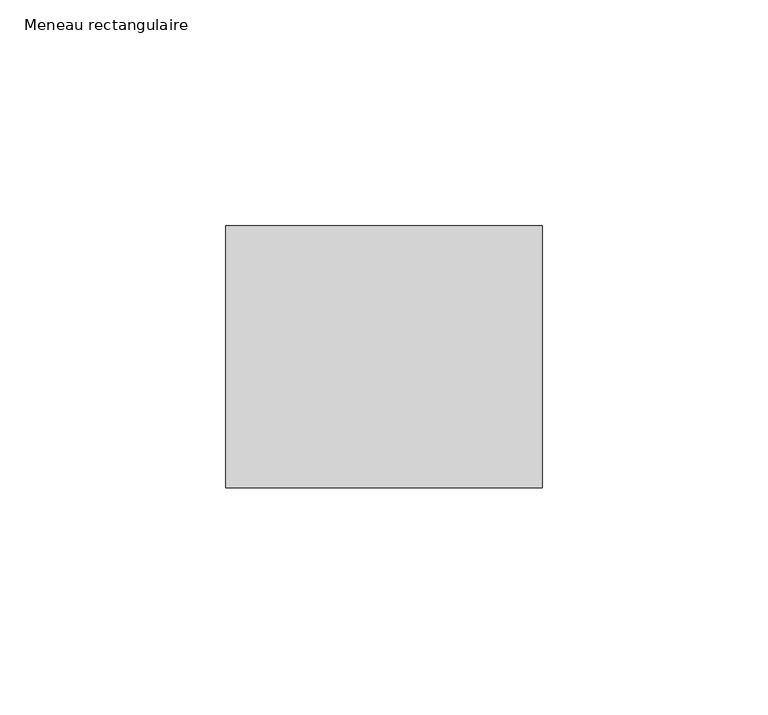
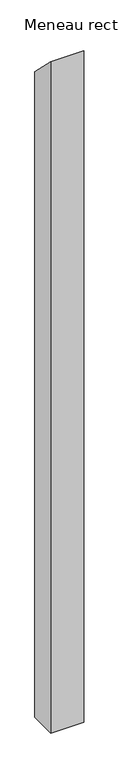
"""IFC4 building model written with IfcOpenShell, lengths in millimetres: member geometry, Meneau rectangulaire."""

import ifcopenshell
import ifcopenshell.guid

model = None  # the IFC model being written
_history = None  # IfcOwnerHistory: only IFC2X3 demands one
_inside = {}  # id of a spatial element -> (the spatial element, [elements in it])
_under = {}  # id of a project, library or spatial element -> (it, [spatial elements below it])
_declared = {}  # id of a project -> (the project, [libraries it declares])
_typed = {}  # id of a type object -> (the type object, [elements of that type])
_made_of = {}  # id of a material, layer set ... -> (it, [elements and type objects made of it])


def new_model(schema):
    """Start an empty IFC model of exactly this schema.

    Asked for "IFC4X3", IfcOpenShell would pick the latest addendum, in which some entities
    have other attributes; the version numbers below select the first issue.
    IFC2X3 requires an IfcOwnerHistory on every rooted entity: one is made here for all.
    """
    global model, _history
    if schema == "IFC4X3":
        model = ifcopenshell.file(schema_version=(4, 3, 0, 0))
    else:
        model = ifcopenshell.file(schema=schema)
    _inside.clear()
    _under.clear()
    _declared.clear()
    _typed.clear()
    _made_of.clear()
    _history = None
    if model.schema == "IFC2X3":
        org = make("IfcOrganization", Name="unknown")
        user = make(
            "IfcPersonAndOrganization",
            ThePerson=make("IfcPerson", FamilyName="unknown"),
            TheOrganization=org,
        )
        app = make(
            "IfcApplication",
            ApplicationDeveloper=org,
            Version="unknown",
            ApplicationFullName="unknown",
            ApplicationIdentifier="unknown",
        )
        _history = make(
            "IfcOwnerHistory",
            OwningUser=user,
            OwningApplication=app,
            ChangeAction="ADDED",
            CreationDate=0,
        )
    return model


def make(cls, **values):
    """One entity of the class cls with the attributes given. An attribute that is None is left unset."""
    return model.create_entity(
        cls, **{name: value for name, value in values.items() if value is not None}
    )


def rooted(cls, **values):
    """An entity with a GlobalId (a new one), such as an element, a storey or a relation."""
    return make(cls, GlobalId=ifcopenshell.guid.new(), OwnerHistory=_history, **values)


def si_unit(unit_type, name, prefix=None):
    """IfcSIUnit, for example si_unit("LENGTHUNIT", "METRE", prefix="MILLI")."""
    return make("IfcSIUnit", UnitType=unit_type, Prefix=prefix, Name=name)


def assignment(units):
    """IfcUnitAssignment: the units of a project."""
    return None if units is None else make("IfcUnitAssignment", Units=units)


def point(xyz):
    """IfcCartesianPoint."""
    return None if xyz is None else make("IfcCartesianPoint", Coordinates=xyz)


def direction(xyz):
    """IfcDirection."""
    return None if xyz is None else make("IfcDirection", DirectionRatios=xyz)


def frame(location, z_axis=None, x_axis=None):
    """IfcAxis2Placement3D, a coordinate frame: its origin and axes. An axis left out is left unset."""
    return make(
        "IfcAxis2Placement3D",
        Location=point(location),
        Axis=direction(z_axis),
        RefDirection=direction(x_axis),
    )


def origin():
    """The frame at (0, 0, 0) with its axes left unset."""
    return frame((0.0, 0.0, 0.0))


def place(relative_to, where):
    """IfcLocalPlacement: puts the frame where relative to a parent placement (None: the world)."""
    return make(
        "IfcLocalPlacement", PlacementRelTo=relative_to, RelativePlacement=where
    )


def context(
    kind, dimensions, precision=None, world=None, true_north=None, identifier=None
):
    """IfcGeometricRepresentationContext, for example the 3D "Model" context."""
    return make(
        "IfcGeometricRepresentationContext",
        ContextIdentifier=identifier,
        ContextType=kind,
        CoordinateSpaceDimension=dimensions,
        Precision=precision,
        WorldCoordinateSystem=world,
        TrueNorth=true_north,
    )


def project(units=None, contexts=None):
    """IfcProject with its units and contexts."""
    return rooted(
        "IfcProject",
        Name="project",
        RepresentationContexts=contexts,
        UnitsInContext=assignment(units),
    )


def spatial(cls, under=None, at=None, **own):
    """A site, building, storey or space (cls), placed at a placement, below another one or the project."""
    s = rooted(cls, ObjectPlacement=at, **own)
    if under is not None:
        _under.setdefault(under.id(), (under, []))[1].append(s)
    return s


def polyline(points):
    """IfcPolyline through the points."""
    return make("IfcPolyline", Points=[point(p) for p in points])


def outline(outer, holes=None, kind="AREA"):
    """IfcArbitraryClosedProfileDef: a profile drawn as a closed curve; with holes, ...WithVoids."""
    if holes is None:
        return make("IfcArbitraryClosedProfileDef", ProfileType=kind, OuterCurve=outer)
    return make(
        "IfcArbitraryProfileDefWithVoids",
        ProfileType=kind,
        OuterCurve=outer,
        InnerCurves=holes,
    )


def extrude(swept, where, along, depth):
    """IfcExtrudedAreaSolid: the profile swept, set in the frame where, extruded along a direction by depth."""
    return make(
        "IfcExtrudedAreaSolid",
        SweptArea=swept,
        Position=where,
        ExtrudedDirection=direction(along),
        Depth=depth,
    )


def shape(context_of_items, identifier, shape_type, items):
    """IfcShapeRepresentation: the items that make up one representation, for example the "Body"."""
    return make(
        "IfcShapeRepresentation",
        ContextOfItems=context_of_items,
        RepresentationIdentifier=identifier,
        RepresentationType=shape_type,
        Items=items,
    )


def source(mapping_origin, context_of_items, identifier, shape_type, items):
    """IfcRepresentationMap: a shape defined once, which mapped items show again and again."""
    return make(
        "IfcRepresentationMap",
        MappingOrigin=mapping_origin,
        MappedRepresentation=shape(context_of_items, identifier, shape_type, items),
    )


def transform(
    local_origin,
    x_axis=None,
    y_axis=None,
    z_axis=None,
    scale=None,
    scale2=None,
    scale3=None,
    uniform=True,
):
    """IfcCartesianTransformationOperator3D, or its non-uniform kind. x_axis, y_axis, z_axis: its Axis1, 2, 3."""
    if uniform:
        return make(
            "IfcCartesianTransformationOperator3D",
            Axis1=direction(x_axis),
            Axis2=direction(y_axis),
            LocalOrigin=point(local_origin),
            Scale=scale,
            Axis3=direction(z_axis),
        )
    return make(
        "IfcCartesianTransformationOperator3DnonUniform",
        Axis1=direction(x_axis),
        Axis2=direction(y_axis),
        LocalOrigin=point(local_origin),
        Scale=scale,
        Axis3=direction(z_axis),
        Scale2=scale2,
        Scale3=scale3,
    )


def mapped(mapping_source, mapping_target):
    """IfcMappedItem: shows the shape of a source again, moved by a transform."""
    return make(
        "IfcMappedItem", MappingSource=mapping_source, MappingTarget=mapping_target
    )


def made_of(thing, what):
    """Note that an element or type object is made of a material, layer set ...; save() writes the relation."""
    if what is not None:
        _made_of.setdefault(what.id(), (what, []))[1].append(thing)
    return thing


def element(
    cls,
    number,
    at=None,
    inside=None,
    cuts=None,
    type_object=None,
    material=None,
    context=None,
    identifier="Body",
    shape_type=None,
    held_by="IfcProductDefinitionShape",
    body=None,
    shapes=None,
    **own,
):
    """One element of the class cls, such as IfcWall. Its Tag is "e" and its number.

    at: its placement. inside: the storey or other place that contains it. cuts: it is an
    opening in that element (IfcRelVoidsElement). A single representation is given by context,
    identifier, shape_type and body (its items); several are given by shapes. held_by: the class
    of the entity that holds the representations. save() writes the other relations.
    """
    e = rooted(cls, Tag="e%d" % number, ObjectPlacement=at, **own)
    if body is not None:
        shapes = [shape(context, identifier, shape_type, body)]
    if shapes is not None:
        e.Representation = make(held_by, Representations=shapes)
    if inside is not None:
        _inside.setdefault(inside.id(), (inside, []))[1].append(e)
    if cuts is not None:
        rooted(
            "IfcRelVoidsElement", RelatingBuildingElement=cuts, RelatedOpeningElement=e
        )
    if type_object is not None:
        _typed.setdefault(type_object.id(), (type_object, []))[1].append(e)
    return made_of(e, material)


def aggregate(whole, parts):
    """IfcRelAggregates: a whole, such as a stair, and the parts it consists of."""
    return rooted("IfcRelAggregates", RelatingObject=whole, RelatedObjects=parts)


def save(model, path):
    """Write the relations noted so far, then the file.

    IfcRelAggregates (storeys below a building ...), IfcRelContainedInSpatialStructure (elements
    in a storey), IfcRelDefinesByType, IfcRelAssociatesMaterial and IfcRelDeclares: one each for
    every whole, place, type object, material and project.
    """
    for whole, parts in _under.values():
        aggregate(whole, parts)
    for where, things in _inside.values():
        rooted(
            "IfcRelContainedInSpatialStructure",
            RelatedElements=things,
            RelatingStructure=where,
        )
    for kind, things in _typed.values():
        rooted("IfcRelDefinesByType", RelatedObjects=things, RelatingType=kind)
    for what, things in _made_of.values():
        rooted("IfcRelAssociatesMaterial", RelatedObjects=things, RelatingMaterial=what)
    for by, libraries in _declared.values():
        rooted("IfcRelDeclares", RelatingContext=by, RelatedDefinitions=libraries)
    model.write(path)


def meneau_rectangulaire_daae2343(model_context):
    return source(origin(), model_context, "Body", "SweptSolid", [
        extrude(outline(polyline([(-29.0, 29.0), (29.0, -29.0), (29.0, -1468.256074), (-29.0, -1468.256074), (-29.0, 29.0)])), frame((-70.0, 0.0, 0.0), z_axis=(1.0, 0.0, 0.0), x_axis=(0.0, 1.0, 0.0)), (0.0, 0.0, 1.0), 70.0),
    ])


if __name__ == "__main__":
    model = new_model("IFC4")
    model_context = context("Model", 3, world=origin())
    ifc_project = project(units=[si_unit("LENGTHUNIT", "METRE", prefix="MILLI")], contexts=[model_context])
    site = spatial("IfcSite", under=ifc_project)
    building = spatial("IfcBuilding", under=site)
    placement = place(None, origin())
    meneau_rectangulaire_shape = meneau_rectangulaire_daae2343(model_context)
    element("IfcMember", 1, ObjectType="Meneau rectangulaire", at=placement, inside=building, context=model_context, shape_type="MappedRepresentation", body=[
        mapped(meneau_rectangulaire_shape, transform((0.0, 0.0, 0.0), x_axis=(1.0, 0.0, 0.0), y_axis=(0.0, 1.0, 0.0), z_axis=(0.0, 0.0, 1.0))),
    ])
    save(model, "model.ifc")
